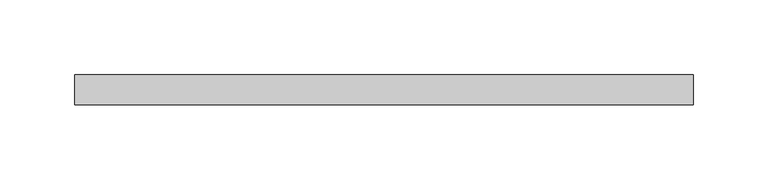
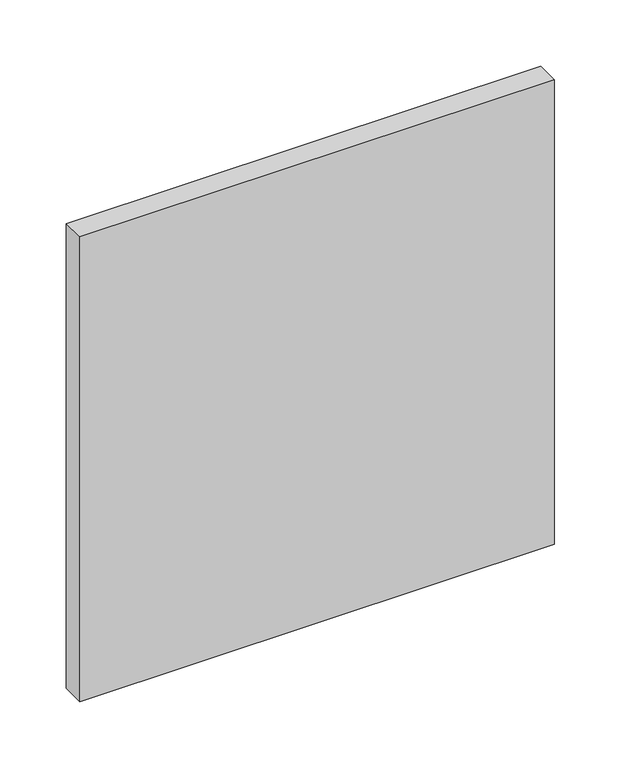
"""IFC4 building model written with IfcOpenShell, lengths in millimetres: plate geometry."""

from ifc_helpers import new_model, si_unit, origin, origin_with_axes, place, context, project, spatial, polyline, outline, extrude, source, transform, mapped, element, save


def plate_f60b5254(model_context):
    return source(origin(), model_context, "Body", "SweptSolid", [
        extrude(outline(polyline([(206.25, 70.0), (-206.25, 70.0), (-206.25, 90.0), (206.25, 90.0), (206.25, 70.0)])), origin_with_axes(), (0.0, 0.0, 1.0), 427.3076923),
    ])


if __name__ == "__main__":
    model = new_model("IFC4")
    model_context = context("Model", 3, world=origin())
    ifc_project = project(units=[si_unit("LENGTHUNIT", "METRE", prefix="MILLI")], contexts=[model_context])
    site = spatial("IfcSite", under=ifc_project)
    building = spatial("IfcBuilding", under=site)
    placement = place(None, origin())
    plate_shape = plate_f60b5254(model_context)
    element("IfcPlate", 1, at=placement, inside=building, context=model_context, shape_type="MappedRepresentation", body=[
        mapped(plate_shape, transform((0.0, 0.0, 0.0), x_axis=(1.0, 0.0, 0.0), y_axis=(0.0, 1.0, 0.0), z_axis=(0.0, 0.0, 1.0))),
    ])
    save(model, "model.ifc")
